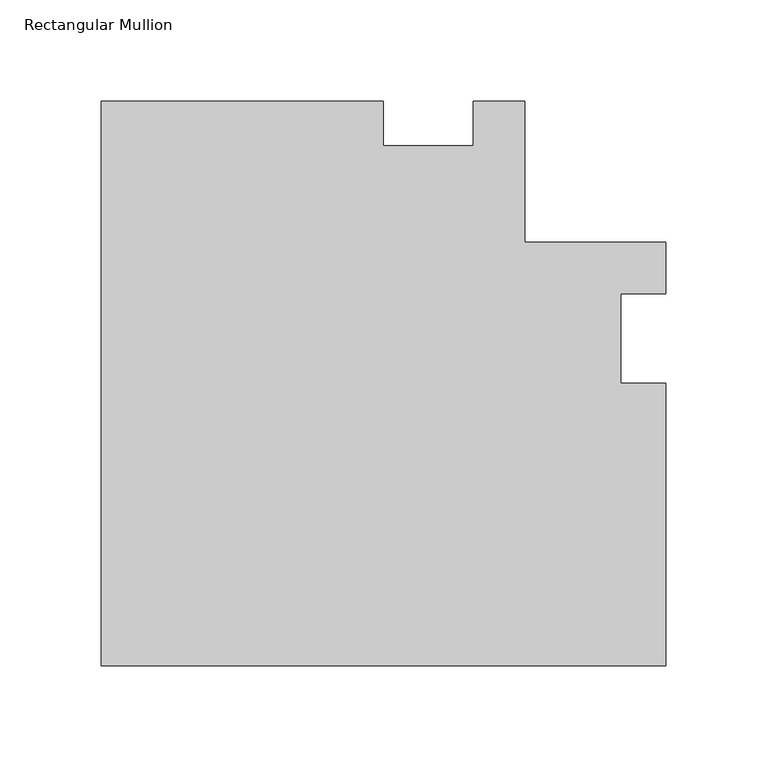
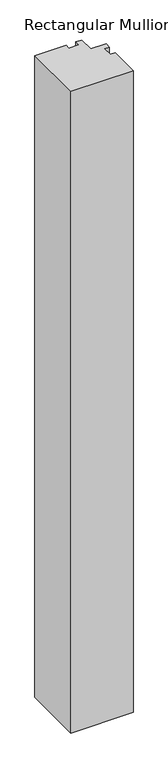
"""IFC4 building model written with IfcOpenShell, lengths in millimetres: member geometry, Rectangular Mullion."""

from ifc_helpers import new_model, si_unit, frame, origin, place, context, project, spatial, polyline, outline, extrude, source, transform, mapped, element, save


def rectangular_mullion_c25f4aef(model_context):
    return source(origin(), model_context, "Body", "SweptSolid", [
        extrude(outline(polyline([(-139.6999926, 184.1500018), (-139.6999926, 161.925115), (-95.2550404, 161.925115), (-95.2550404, 184.15), (-69.8500032, 184.15), (-69.8500032, 114.3000056), (-8.8e-06, 114.3000056), (-8.8e-06, 88.9129718), (-22.2248868, 88.9129718), (-22.2248868, 44.4858338), (0.0, 44.4858338), (0.0, -95.25), (-279.3999982, -95.25), (-279.3999982, 184.1500018), (-139.6999926, 184.1500018)])), frame((0.0, 0.0, -3048.0), z_axis=(0.0, 0.0, 1.0), x_axis=(1.0, 0.0, 0.0)), (0.0, 0.0, 1.0), 3048.0),
    ])


if __name__ == "__main__":
    model = new_model("IFC4")
    model_context = context("Model", 3, world=origin())
    ifc_project = project(units=[si_unit("LENGTHUNIT", "METRE", prefix="MILLI")], contexts=[model_context])
    site = spatial("IfcSite", under=ifc_project)
    building = spatial("IfcBuilding", under=site)
    placement = place(None, origin())
    rectangular_mullion_shape = rectangular_mullion_c25f4aef(model_context)
    element("IfcMember", 1, ObjectType="Rectangular Mullion", at=placement, inside=building, context=model_context, shape_type="MappedRepresentation", body=[
        mapped(rectangular_mullion_shape, transform((0.0, 0.0, 0.0), x_axis=(1.0, 0.0, 0.0), y_axis=(0.0, 1.0, 0.0), z_axis=(0.0, 0.0, 1.0))),
    ])
    save(model, "model.ifc")
